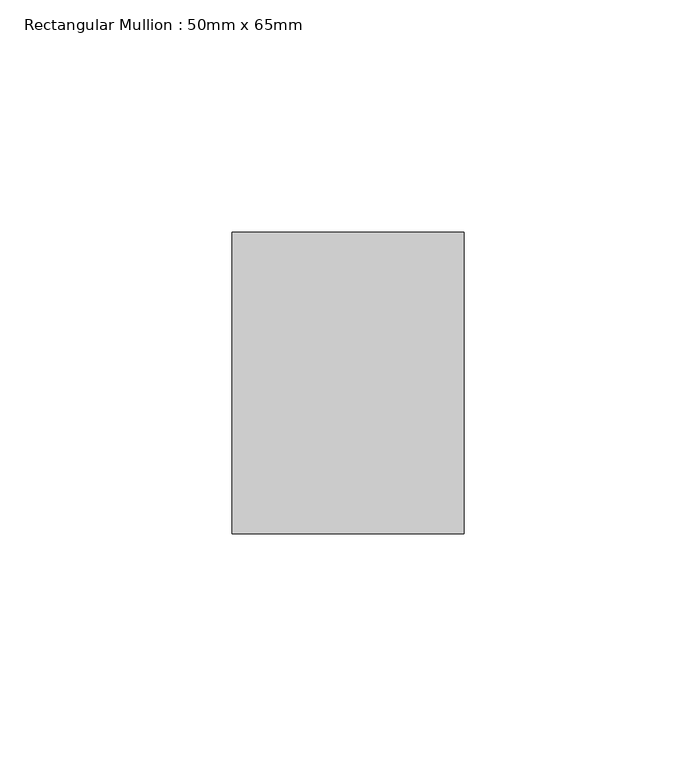
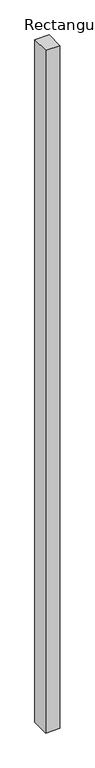
"""IFC4 building model written with IfcOpenShell, lengths in millimetres: member geometry, Rectangular Mullion : 50mm x 65mm."""

from ifc_helpers import new_model, si_unit, frame, origin, place, context, project, spatial, polyline, outline, extrude, source, transform, mapped, element, save


def rectangular_mullion_50mm_x_65mm_dc28be28(model_context):
    return source(origin(), model_context, "Body", "SweptSolid", [
        extrude(outline(polyline([(0.0, 32.5), (0.0, -32.5), (-50.0, -32.5), (-50.0, 32.5), (0.0, 32.5)])), frame((0.0, 0.0, -2540.0), z_axis=(0.0, 0.0, 1.0), x_axis=(1.0, 0.0, 0.0)), (0.0, 0.0, 1.0), 2540.0),
    ])


if __name__ == "__main__":
    model = new_model("IFC4")
    model_context = context("Model", 3, world=origin())
    ifc_project = project(units=[si_unit("LENGTHUNIT", "METRE", prefix="MILLI")], contexts=[model_context])
    site = spatial("IfcSite", under=ifc_project)
    building = spatial("IfcBuilding", under=site)
    placement = place(None, origin())
    rectangular_mullion_50mm_x_65mm_shape = rectangular_mullion_50mm_x_65mm_dc28be28(model_context)
    element("IfcMember", 1, ObjectType="Rectangular Mullion : 50mm x 65mm", at=placement, inside=building, context=model_context, shape_type="MappedRepresentation", body=[
        mapped(rectangular_mullion_50mm_x_65mm_shape, transform((0.0, 0.0, 0.0), x_axis=(1.0, 0.0, 0.0), y_axis=(0.0, 1.0, 0.0), z_axis=(0.0, 0.0, 1.0))),
    ])
    save(model, "model.ifc")
